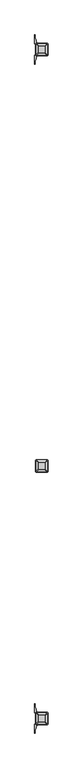
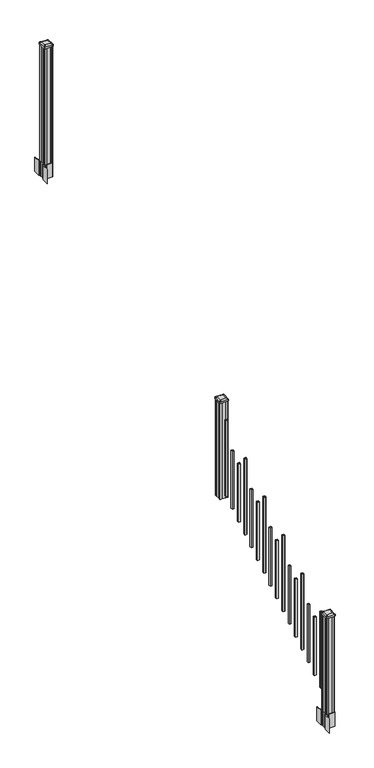
"""IFC4 building model written with IfcOpenShell, lengths in millimetres: railing geometry."""

from ifc_helpers import new_model, si_unit, point, frame, frame_2d, origin, place, context, project, spatial, polyline, circle_curve, trimmed, segment, composite_curve, outline, extrude, source, transform, mapped, element, save
from ifc_brep_helpers import plane_surface, extruded_surface, advanced_brep


def railing_87f6e294(model_context):
    return source(origin(), model_context, "Body", "SolidModel", [
        advanced_brep(
        [(6934.2407728, -114155.4027203, 2394.709263), (6985.8345228, -114155.4027203, 2394.709263), (6989.0095228, -114152.2277203, 2394.709263), (6989.0095228, -114100.6339703, 2394.709263), (6985.8345228, -114097.4589703, 2394.709263), (6934.2407728, -114097.4589703, 2394.709263), (6931.0657728, -114100.6339703, 2394.709263), (6931.0657728, -114152.2277203, 2394.709263), (6917.9688978, -114171.6745953, 2383.406263), (6914.7938978, -114168.4995953, 2383.406263), (6914.7938978, -114084.3620953, 2383.406263), (6917.9688978, -114081.1870953, 2383.406263), (7002.1063978, -114081.1870953, 2383.406263), (7005.2813978, -114084.3620953, 2383.406263), (7005.2813978, -114168.4995953, 2383.406263), (7002.1063978, -114171.6745953, 2383.406263)],
        [
            (0, 1),
            (1, 2, circle_curve(frame((6985.8345228, -114152.2277203, 2394.709263), z_axis=(0.0, 0.0, 1.0), x_axis=(0.0, 1.0, 0.0)), 3.175)),
            (2, 3),
            (3, 4, circle_curve(frame((6985.8345228, -114100.6339703, 2394.709263), z_axis=(0.0, 0.0, 1.0), x_axis=(0.0, 1.0, 0.0)), 3.175)),
            (4, 5),
            (5, 6, circle_curve(frame((6934.2407728, -114100.6339703, 2394.709263), z_axis=(0.0, 0.0, 1.0), x_axis=(0.0, 1.0, 0.0)), 3.175)),
            (6, 7),
            (7, 0, circle_curve(frame((6934.2407728, -114152.2277203, 2394.709263), z_axis=(0.0, 0.0, 1.0), x_axis=(0.0, 1.0, 0.0)), 3.175)),
            (8, 9, circle_curve(frame((6917.9688978, -114168.4995953, 2383.406263), z_axis=(0.0, 0.0, -1.0), x_axis=(0.0, 1.0, 0.0)), 3.175)),
            (9, 10),
            (10, 11, circle_curve(frame((6917.9688978, -114084.3620953, 2383.406263), z_axis=(0.0, 0.0, -1.0), x_axis=(0.0, 1.0, 0.0)), 3.175)),
            (11, 12),
            (12, 13, circle_curve(frame((7002.1063978, -114084.3620953, 2383.406263), z_axis=(0.0, 0.0, -1.0), x_axis=(0.0, 1.0, 0.0)), 3.175)),
            (13, 14),
            (14, 15, circle_curve(frame((7002.1063978, -114168.4995953, 2383.406263), z_axis=(0.0, 0.0, -1.0), x_axis=(0.0, 1.0, 0.0)), 3.175)),
            (15, 8),
            (8, 0),
            (7, 9),
            (6, 10),
            (5, 11),
            (4, 12),
            (3, 13),
            (2, 14),
            (1, 15),
        ],
        [
            plane_surface(frame((6960.0376478, -114126.4308453, 2394.709263), z_axis=(0.0, 0.0, 1.0), x_axis=(-1.0, 0.0, 0.0))),
            plane_surface(frame((6960.0376478, -114126.4308453, 2383.406263), z_axis=(0.0, 0.0, -1.0), x_axis=(-1.0, 0.0, 0.0))),
            extruded_surface(trimmed(circle_curve(frame((6934.2407728, -114152.2277203, 2394.709263), z_axis=(0.0, 0.0, -1.0), x_axis=(0.0, 1.0, 0.0)), 3.175), [point((6934.2407728, -114155.4027203, 2394.709263))], [point((6931.0657728, -114152.2277203, 2394.709263))], True, "CARTESIAN"), (-16.271874999999454, -16.27187500000582, -11.303000000000338), 25.63797263886966),
            plane_surface(frame((6914.7938978, -114126.4308453, 2383.406263), z_axis=(-0.5705009161540778, 0.0, 0.8212969649690408), x_axis=(0.0, 1.0, 0.0))),
            extruded_surface(trimmed(circle_curve(frame((6934.2407728, -114100.6339703, 2394.709263), z_axis=(0.0, 0.0, -1.0), x_axis=(0.0, 1.0, 0.0)), 3.175), [point((6931.0657728, -114100.6339703, 2394.709263))], [point((6934.2407728, -114097.4589703, 2394.709263))], True, "CARTESIAN"), (-16.271874999999454, 16.27187499999127, -11.303000000000338), 25.637972638860422),
            plane_surface(frame((6960.0376478, -114081.1870953, 2383.406263), z_axis=(0.0, 0.5705009161540291, 0.8212969649690747), x_axis=(1.0, 0.0, 0.0))),
            extruded_surface(trimmed(circle_curve(frame((6985.8345228, -114100.6339703, 2394.709263), z_axis=(0.0, 0.0, -1.0), x_axis=(0.0, 1.0, 0.0)), 3.175), [point((6985.8345228, -114097.4589703, 2394.709263))], [point((6989.0095228, -114100.6339703, 2394.709263))], True, "CARTESIAN"), (16.271875000000364, 16.27187499999127, -11.303000000000338), 25.637972638861),
            plane_surface(frame((7005.2813978, -114126.4308453, 2383.406263), z_axis=(0.5705009161540142, 0.0, 0.8212969649690851), x_axis=(0.0, -1.0, 0.0))),
            extruded_surface(trimmed(circle_curve(frame((6985.8345228, -114152.2277203, 2394.709263), z_axis=(0.0, 0.0, -1.0), x_axis=(0.0, 1.0, 0.0)), 3.175), [point((6989.0095228, -114152.2277203, 2394.709263))], [point((6985.8345228, -114155.4027203, 2394.709263))], True, "CARTESIAN"), (16.271875000000364, -16.27187500000582, -11.303000000000338), 25.637972638870238),
            plane_surface(frame((6960.0376478, -114171.6745953, 2383.406263), z_axis=(0.0, -0.570500916154034, 0.8212969649690713), x_axis=(-1.0, 0.0, 0.0))),
        ],
        [
            (0, [[1, 2, 3, 4, 5, 6, 7, 8]]),
            (1, [[9, 10, 11, 12, 13, 14, 15, 16]]),
            (2, [[17, -8, 18, -9]]),
            (3, [[-18, -7, 19, -10]]),
            (4, [[-19, -6, 20, -11]]),
            (5, [[-20, -5, 21, -12]]),
            (6, [[-21, -4, 22, -13]]),
            (7, [[-22, -3, 23, -14]]),
            (8, [[-23, -2, 24, -15]]),
            (9, [[-24, -1, -17, -16]]),
        ],
    ),
        extrude(outline(composite_curve([segment(trimmed(circle_curve(frame_2d((6917.9688978, -114168.4995953)), 3.175), [point((6917.9688978, -114171.6745953))], [point((6914.7938978, -114168.4995953))], False, "CARTESIAN"), True, "CONTINUOUS"), segment(polyline([(6914.7938978, -114168.4995953), (6914.7938978, -114084.3620953)]), True, "CONTINUOUS"), segment(trimmed(circle_curve(frame_2d((6917.9688978, -114084.3620953)), 3.175), [point((6914.7938978, -114084.3620953))], [point((6917.9688978, -114081.1870953))], False, "CARTESIAN"), True, "CONTINUOUS"), segment(polyline([(6917.9688978, -114081.1870953), (7002.1063978, -114081.1870953)]), True, "CONTINUOUS"), segment(trimmed(circle_curve(frame_2d((7002.1063978, -114084.3620953)), 3.175), [point((7002.1063978, -114081.1870953))], [point((7005.2813978, -114084.3620953))], False, "CARTESIAN"), True, "CONTINUOUS"), segment(polyline([(7005.2813978, -114084.3620953), (7005.2813978, -114168.4995953)]), True, "CONTINUOUS"), segment(trimmed(circle_curve(frame_2d((7002.1063978, -114168.4995953)), 3.175), [point((7005.2813978, -114168.4995953))], [point((7002.1063978, -114171.6745953))], False, "CARTESIAN"), True, "CONTINUOUS"), segment(polyline([(7002.1063978, -114171.6745953), (6917.9688978, -114171.6745953)]), True, "CONTINUOUS")], self_intersect=False)), frame((0.0, 0.0, 2366.134263), z_axis=(0.0, 0.0, 1.0), x_axis=(1.0, 0.0, 0.0)), (0.0, 0.0, 1.0), 17.272),
        extrude(outline(polyline([(6920.3501478, -114167.7058453), (6918.7626478, -114166.1183453), (6918.7626478, -114146.4968453), (6920.3501478, -114145.7348453), (6920.3501478, -114107.1268453), (6918.7626478, -114106.3648453), (6918.7626478, -114086.7433453), (6920.3501478, -114085.1558453), (6939.9716478, -114085.1558453), (6940.7336478, -114086.7433453), (6979.3416478, -114086.7433453), (6980.1036478, -114085.1558453), (6999.7251478, -114085.1558453), (7001.3126478, -114086.7433453), (7001.3126478, -114106.3648453), (6999.7251478, -114107.1268453), (6999.7251478, -114145.7348453), (7001.3126478, -114146.4968453), (7001.3126478, -114166.1183453), (6999.7251478, -114167.7058453), (6980.1036478, -114167.7058453), (6979.3416478, -114166.1183453), (6940.7336478, -114166.1183453), (6939.9716478, -114167.7058453), (6920.3501478, -114167.7058453)])), frame((0.0, 0.0, 1334.77), z_axis=(0.0, 0.0, 1.0), x_axis=(1.0, 0.0, 0.0)), (0.0, 0.0, 1.0), 1031.364263),
        extrude(outline(polyline([(6969.5626478, -114216.9818453), (6950.5126478, -114216.9818453), (6950.5126478, -114197.9318453), (6969.5626478, -114197.9318453), (6969.5626478, -114216.9818453)]), holes=[polyline([(6969.1657728, -114216.5849703), (6969.1657728, -114198.3287203), (6950.9095228, -114198.3287203), (6950.9095228, -114216.5849703), (6969.1657728, -114216.5849703)])]), frame((0.0, 0.0, 1385.7246281), z_axis=(0.0, 0.0, 1.0), x_axis=(1.0, 0.0, 0.0)), (0.0, 0.0, 1.0), 812.8041219),
        extrude(outline(polyline([(6969.5626478, -114328.2338453), (6950.5126478, -114328.2338453), (6950.5126478, -114309.1838453), (6969.5626478, -114309.1838453), (6969.5626478, -114328.2338453)]), holes=[polyline([(6969.1657728, -114327.8369703), (6969.1657728, -114309.5807203), (6950.9095228, -114309.5807203), (6950.9095228, -114327.8369703), (6969.1657728, -114327.8369703)])]), frame((0.0, 0.0, 1316.1921281), z_axis=(0.0, 0.0, 1.0), x_axis=(1.0, 0.0, 0.0)), (0.0, 0.0, 1.0), 622.3041219),
        extrude(outline(polyline([(6969.5626478, -114439.4858453), (6950.5126478, -114439.4858453), (6950.5126478, -114420.4358453), (6969.5626478, -114420.4358453), (6969.5626478, -114439.4858453)]), holes=[polyline([(6969.1657728, -114439.0889703), (6969.1657728, -114420.8327203), (6950.9095228, -114420.8327203), (6950.9095228, -114439.0889703), (6969.1657728, -114439.0889703)])]), frame((0.0, 0.0, 1246.6596281), z_axis=(0.0, 0.0, 1.0), x_axis=(1.0, 0.0, 0.0)), (0.0, 0.0, 1.0), 622.3041219),
        extrude(outline(polyline([(6969.5626478, -114550.7378453), (6950.5126478, -114550.7378453), (6950.5126478, -114531.6878453), (6969.5626478, -114531.6878453), (6969.5626478, -114550.7378453)]), holes=[polyline([(6969.1657728, -114550.3409703), (6969.1657728, -114532.0847203), (6950.9095228, -114532.0847203), (6950.9095228, -114550.3409703), (6969.1657728, -114550.3409703)])]), frame((0.0, 0.0, 1177.1271281), z_axis=(0.0, 0.0, 1.0), x_axis=(1.0, 0.0, 0.0)), (0.0, 0.0, 1.0), 812.8041219),
        extrude(outline(polyline([(6969.5626478, -114661.9898453), (6950.5126478, -114661.9898453), (6950.5126478, -114642.9398453), (6969.5626478, -114642.9398453), (6969.5626478, -114661.9898453)]), holes=[polyline([(6969.1657728, -114661.5929703), (6969.1657728, -114643.3367203), (6950.9095228, -114643.3367203), (6950.9095228, -114661.5929703), (6969.1657728, -114661.5929703)])]), frame((0.0, 0.0, 1107.5946281), z_axis=(0.0, 0.0, 1.0), x_axis=(1.0, 0.0, 0.0)), (0.0, 0.0, 1.0), 622.3041219),
        extrude(outline(polyline([(6969.5626478, -114773.2418453), (6950.5126478, -114773.2418453), (6950.5126478, -114754.1918453), (6969.5626478, -114754.1918453), (6969.5626478, -114773.2418453)]), holes=[polyline([(6969.1657728, -114772.8449703), (6969.1657728, -114754.5887203), (6950.9095228, -114754.5887203), (6950.9095228, -114772.8449703), (6969.1657728, -114772.8449703)])]), frame((0.0, 0.0, 1038.0621281), z_axis=(0.0, 0.0, 1.0), x_axis=(1.0, 0.0, 0.0)), (0.0, 0.0, 1.0), 622.3041219),
        extrude(outline(polyline([(6969.5626478, -114884.4938453), (6950.5126478, -114884.4938453), (6950.5126478, -114865.4438453), (6969.5626478, -114865.4438453), (6969.5626478, -114884.4938453)]), holes=[polyline([(6969.1657728, -114884.0969703), (6969.1657728, -114865.8407203), (6950.9095228, -114865.8407203), (6950.9095228, -114884.0969703), (6969.1657728, -114884.0969703)])]), frame((0.0, 0.0, 968.5296281), z_axis=(0.0, 0.0, 1.0), x_axis=(1.0, 0.0, 0.0)), (0.0, 0.0, 1.0), 812.8041219),
        extrude(outline(polyline([(6969.5626478, -114995.7458453), (6950.5126478, -114995.7458453), (6950.5126478, -114976.6958453), (6969.5626478, -114976.6958453), (6969.5626478, -114995.7458453)]), holes=[polyline([(6969.1657728, -114995.3489703), (6969.1657728, -114977.0927203), (6950.9095228, -114977.0927203), (6950.9095228, -114995.3489703), (6969.1657728, -114995.3489703)])]), frame((0.0, 0.0, 898.9971281), z_axis=(0.0, 0.0, 1.0), x_axis=(1.0, 0.0, 0.0)), (0.0, 0.0, 1.0), 622.3041219),
        extrude(outline(polyline([(6969.5626478, -115106.9978453), (6950.5126478, -115106.9978453), (6950.5126478, -115087.9478453), (6969.5626478, -115087.9478453), (6969.5626478, -115106.9978453)]), holes=[polyline([(6969.1657728, -115106.6009703), (6969.1657728, -115088.3447203), (6950.9095228, -115088.3447203), (6950.9095228, -115106.6009703), (6969.1657728, -115106.6009703)])]), frame((0.0, 0.0, 829.4646281), z_axis=(0.0, 0.0, 1.0), x_axis=(1.0, 0.0, 0.0)), (0.0, 0.0, 1.0), 622.3041219),
        extrude(outline(polyline([(6969.5626478, -115218.2498453), (6950.5126478, -115218.2498453), (6950.5126478, -115199.1998453), (6969.5626478, -115199.1998453), (6969.5626478, -115218.2498453)]), holes=[polyline([(6969.1657728, -115217.8529703), (6969.1657728, -115199.5967203), (6950.9095228, -115199.5967203), (6950.9095228, -115217.8529703), (6969.1657728, -115217.8529703)])]), frame((0.0, 0.0, 759.9321281), z_axis=(0.0, 0.0, 1.0), x_axis=(1.0, 0.0, 0.0)), (0.0, 0.0, 1.0), 812.8041219),
        extrude(outline(polyline([(6969.5626478, -115329.5018453), (6950.5126478, -115329.5018453), (6950.5126478, -115310.4518453), (6969.5626478, -115310.4518453), (6969.5626478, -115329.5018453)]), holes=[polyline([(6969.1657728, -115329.1049703), (6969.1657728, -115310.8487203), (6950.9095228, -115310.8487203), (6950.9095228, -115329.1049703), (6969.1657728, -115329.1049703)])]), frame((0.0, 0.0, 690.3996281), z_axis=(0.0, 0.0, 1.0), x_axis=(1.0, 0.0, 0.0)), (0.0, 0.0, 1.0), 622.3041219),
        extrude(outline(polyline([(6969.5626478, -115440.7538453), (6950.5126478, -115440.7538453), (6950.5126478, -115421.7038453), (6969.5626478, -115421.7038453), (6969.5626478, -115440.7538453)]), holes=[polyline([(6969.1657728, -115440.3569703), (6969.1657728, -115422.1007203), (6950.9095228, -115422.1007203), (6950.9095228, -115440.3569703), (6969.1657728, -115440.3569703)])]), frame((0.0, 0.0, 620.8671281), z_axis=(0.0, 0.0, 1.0), x_axis=(1.0, 0.0, 0.0)), (0.0, 0.0, 1.0), 622.3041219),
        extrude(outline(polyline([(6969.5626478, -115552.0058453), (6950.5126478, -115552.0058453), (6950.5126478, -115532.9558453), (6969.5626478, -115532.9558453), (6969.5626478, -115552.0058453)]), holes=[polyline([(6969.1657728, -115551.6089703), (6969.1657728, -115533.3527203), (6950.9095228, -115533.3527203), (6950.9095228, -115551.6089703), (6969.1657728, -115551.6089703)])]), frame((0.0, 0.0, 551.3346281), z_axis=(0.0, 0.0, 1.0), x_axis=(1.0, 0.0, 0.0)), (0.0, 0.0, 1.0), 812.8041219),
        extrude(outline(polyline([(6969.5626478, -115663.2578453), (6950.5126478, -115663.2578453), (6950.5126478, -115644.2078453), (6969.5626478, -115644.2078453), (6969.5626478, -115663.2578453)]), holes=[polyline([(6969.1657728, -115662.8609703), (6969.1657728, -115644.6047203), (6950.9095228, -115644.6047203), (6950.9095228, -115662.8609703), (6969.1657728, -115662.8609703)])]), frame((0.0, 0.0, 481.8021281), z_axis=(0.0, 0.0, 1.0), x_axis=(1.0, 0.0, 0.0)), (0.0, 0.0, 1.0), 622.3041219),
        extrude(outline(polyline([(6969.5626478, -115774.5098453), (6950.5126478, -115774.5098453), (6950.5126478, -115755.4598453), (6969.5626478, -115755.4598453), (6969.5626478, -115774.5098453)]), holes=[polyline([(6969.1657728, -115774.1129703), (6969.1657728, -115755.8567203), (6950.9095228, -115755.8567203), (6950.9095228, -115774.1129703), (6969.1657728, -115774.1129703)])]), frame((0.0, 0.0, 412.2696281), z_axis=(0.0, 0.0, 1.0), x_axis=(1.0, 0.0, 0.0)), (0.0, 0.0, 1.0), 622.3041219),
        extrude(outline(polyline([(6969.5626478, -115885.7618453), (6950.5126478, -115885.7618453), (6950.5126478, -115866.7118453), (6969.5626478, -115866.7118453), (6969.5626478, -115885.7618453)]), holes=[polyline([(6969.1657728, -115885.3649703), (6969.1657728, -115867.1087203), (6950.9095228, -115867.1087203), (6950.9095228, -115885.3649703), (6969.1657728, -115885.3649703)])]), frame((0.0, 0.0, 342.7371281), z_axis=(0.0, 0.0, 1.0), x_axis=(1.0, 0.0, 0.0)), (0.0, 0.0, 1.0), 812.8041219),
        extrude(outline(polyline([(6920.3501478, -111080.3358453), (6918.7626478, -111078.7483453), (6918.7626478, -111059.1268453), (6920.3501478, -111058.3648453), (6920.3501478, -111019.7568453), (6918.7626478, -111018.9948453), (6918.7626478, -110999.3733453), (6920.3501478, -110997.7858453), (6939.9716478, -110997.7858453), (6940.7336478, -110999.3733453), (6979.3416478, -110999.3733453), (6980.1036478, -110997.7858453), (6999.7251478, -110997.7858453), (7001.3126478, -110999.3733453), (7001.3126478, -111018.9948453), (6999.7251478, -111019.7568453), (6999.7251478, -111058.3648453), (7001.3126478, -111059.1268453), (7001.3126478, -111078.7483453), (6999.7251478, -111080.3358453), (6980.1036478, -111080.3358453), (6979.3416478, -111078.7483453), (6940.7336478, -111078.7483453), (6939.9716478, -111080.3358453), (6920.3501478, -111080.3358453)])), frame((0.0, 0.0, 3048.0), z_axis=(0.0, 0.0, 1.0), x_axis=(1.0, 0.0, 0.0)), (0.0, 0.0, 1.0), 1247.740513),
        extrude(outline(composite_curve([segment(polyline([(7002.7731478, -111056.4469401), (7004.3606478, -111057.2089401), (7004.3606478, -111080.0108682), (7000.9876707, -111083.3838453), (6939.5279999, -111083.3838453), (6939.5279999, -111084.3045953), (6934.2104561, -111084.3045953), (6934.2104561, -111085.75885), (6929.1259264, -111085.75885), (6929.1259264, -111087.0428738), (6927.4586541, -111087.0428738)]), True, "CONTINUOUS"), segment(trimmed(circle_curve(frame_2d((6927.4586541, -111094.1023337)), 7.0594599), [point((6927.4586541, -111087.0428738))], [point((6920.6913912, -111092.092327))], True, "CARTESIAN"), True, "CONTINUOUS"), segment(polyline([(6920.6913912, -111092.092327), (6912.8171969, -111118.6030561)]), True, "CONTINUOUS"), segment(trimmed(circle_curve(frame_2d((6967.6017103, -111134.8751057)), 57.15), [point((6912.8171969, -111118.6030561))], [point((6910.4517103, -111134.8751057))], True, "CARTESIAN"), True, "CONTINUOUS"), segment(polyline([(6910.4517103, -111134.8751057), (6910.4517103, -111146.8838453), (6907.4517103, -111146.8838453), (6907.4517103, -111081.7963453), (6915.7146478, -111070.458054), (6915.7146478, -111057.2089401), (6917.3021478, -111056.4469401), (6917.3021478, -111021.6747504), (6915.7146478, -111020.9127504), (6915.7146478, -111007.6636366), (6907.4517103, -110996.3253453), (6907.4517103, -110931.2378453), (6910.4517103, -110931.2378453), (6910.4517103, -110943.2465848)]), True, "CONTINUOUS"), segment(trimmed(circle_curve(frame_2d((6967.6017103, -110943.2465848)), 57.15), [point((6910.4517103, -110943.2465848))], [point((6912.8171969, -110959.5186345))], True, "CARTESIAN"), True, "CONTINUOUS"), segment(polyline([(6912.8171969, -110959.5186345), (6920.6913912, -110986.0293636)]), True, "CONTINUOUS"), segment(trimmed(circle_curve(frame_2d((6927.4586541, -110984.0193569)), 7.0594599), [point((6920.6913912, -110986.0293636))], [point((6927.4586541, -110991.0788168))], True, "CARTESIAN"), True, "CONTINUOUS"), segment(polyline([(6927.4586541, -110991.0788168), (6929.1259264, -110991.0788168), (6929.1259264, -110992.3628406), (6934.2104561, -110992.3628406), (6934.2104561, -110993.8170953), (6939.5279999, -110993.8170953), (6939.5279999, -110994.7378453), (7000.9876707, -110994.7378453), (7004.3606478, -110998.1108224), (7004.3606478, -111020.9127504), (7002.7731478, -111021.6747504), (7002.7731478, -111056.4469401)]), True, "CONTINUOUS")], self_intersect=False), holes=[polyline([(6918.7626478, -110999.3733453), (6918.7626478, -111078.7483453), (6920.3501478, -111080.3358453), (6957.2744304, -111080.3358453), (6999.7251478, -111080.3358453), (7001.3126478, -111078.7483453), (7001.3126478, -110999.3733453), (6999.7251478, -110997.7858453), (6957.2744304, -110997.7858453), (6920.3501478, -110997.7858453), (6918.7626478, -110999.3733453)])]), frame((0.0, 0.0, 2895.6), z_axis=(0.0, 0.0, 1.0), x_axis=(1.0, 0.0, 0.0)), (0.0, 0.0, 1.0), 152.4),
        advanced_brep(
        [(6934.2407728, -111068.0327203, 4324.315513), (6985.8345228, -111068.0327203, 4324.315513), (6989.0095228, -111064.8577203, 4324.315513), (6989.0095228, -111013.2639703, 4324.315513), (6985.8345228, -111010.0889703, 4324.315513), (6934.2407728, -111010.0889703, 4324.315513), (6931.0657728, -111013.2639703, 4324.315513), (6931.0657728, -111064.8577203, 4324.315513), (6917.9688978, -111084.3045953, 4313.012513), (6914.7938978, -111081.1295953, 4313.012513), (6914.7938978, -110996.9920953, 4313.012513), (6917.9688978, -110993.8170953, 4313.012513), (7002.1063978, -110993.8170953, 4313.012513), (7005.2813978, -110996.9920953, 4313.012513), (7005.2813978, -111081.1295953, 4313.012513), (7002.1063978, -111084.3045953, 4313.012513)],
        [
            (0, 1),
            (1, 2, circle_curve(frame((6985.8345228, -111064.8577203, 4324.315513), z_axis=(0.0, 0.0, 1.0), x_axis=(0.0, 1.0, 0.0)), 3.175)),
            (2, 3),
            (3, 4, circle_curve(frame((6985.8345228, -111013.2639703, 4324.315513), z_axis=(0.0, 0.0, 1.0), x_axis=(0.0, 1.0, 0.0)), 3.175)),
            (4, 5),
            (5, 6, circle_curve(frame((6934.2407728, -111013.2639703, 4324.315513), z_axis=(0.0, 0.0, 1.0), x_axis=(0.0, 1.0, 0.0)), 3.175)),
            (6, 7),
            (7, 0, circle_curve(frame((6934.2407728, -111064.8577203, 4324.315513), z_axis=(0.0, 0.0, 1.0), x_axis=(0.0, 1.0, 0.0)), 3.175)),
            (8, 9, circle_curve(frame((6917.9688978, -111081.1295953, 4313.012513), z_axis=(0.0, 0.0, -1.0), x_axis=(0.0, 1.0, 0.0)), 3.175)),
            (9, 10),
            (10, 11, circle_curve(frame((6917.9688978, -110996.9920953, 4313.012513), z_axis=(0.0, 0.0, -1.0), x_axis=(0.0, 1.0, 0.0)), 3.175)),
            (11, 12),
            (12, 13, circle_curve(frame((7002.1063978, -110996.9920953, 4313.012513), z_axis=(0.0, 0.0, -1.0), x_axis=(0.0, 1.0, 0.0)), 3.175)),
            (13, 14),
            (14, 15, circle_curve(frame((7002.1063978, -111081.1295953, 4313.012513), z_axis=(0.0, 0.0, -1.0), x_axis=(0.0, 1.0, 0.0)), 3.175)),
            (15, 8),
            (8, 0),
            (7, 9),
            (6, 10),
            (5, 11),
            (4, 12),
            (3, 13),
            (2, 14),
            (1, 15),
        ],
        [
            plane_surface(frame((6960.0376478, -111039.0608453, 4324.315513), z_axis=(0.0, 0.0, 1.0), x_axis=(-1.0, 0.0, 0.0))),
            plane_surface(frame((6960.0376478, -111039.0608453, 4313.012513), z_axis=(0.0, 0.0, -1.0), x_axis=(-1.0, 0.0, 0.0))),
            extruded_surface(trimmed(circle_curve(frame((6934.2407728, -111064.8577203, 4324.315513), z_axis=(0.0, 0.0, -1.0), x_axis=(0.0, 1.0, 0.0)), 3.175), [point((6934.2407728, -111068.0327203, 4324.315513))], [point((6931.0657728, -111064.8577203, 4324.315513))], True, "CARTESIAN"), (-16.271874999999454, -16.27187499999127, -11.302999999999884), 25.637972638860223),
            plane_surface(frame((6914.7938978, -111039.0608453, 4313.012513), z_axis=(-0.5705009161540687, 0.0, 0.8212969649690472), x_axis=(0.0, 1.0, 0.0))),
            extruded_surface(trimmed(circle_curve(frame((6934.2407728, -111013.2639703, 4324.315513), z_axis=(0.0, 0.0, -1.0), x_axis=(0.0, 1.0, 0.0)), 3.175), [point((6931.0657728, -111013.2639703, 4324.315513))], [point((6934.2407728, -111010.0889703, 4324.315513))], True, "CARTESIAN"), (-16.271874999999454, 16.27187500000582, -11.302999999999884), 25.63797263886946),
            plane_surface(frame((6960.0376478, -110993.8170953, 4313.012513), z_axis=(0.0, 0.5705009161540291, 0.8212969649690747), x_axis=(1.0, 0.0, 0.0))),
            extruded_surface(trimmed(circle_curve(frame((6985.8345228, -111013.2639703, 4324.315513), z_axis=(0.0, 0.0, -1.0), x_axis=(0.0, 1.0, 0.0)), 3.175), [point((6985.8345228, -111010.0889703, 4324.315513))], [point((6989.0095228, -111013.2639703, 4324.315513))], True, "CARTESIAN"), (16.271875000000364, 16.27187500000582, -11.302999999999884), 25.637972638870036),
            plane_surface(frame((7005.2813978, -111039.0608453, 4313.012513), z_axis=(0.5705009161540233, 0.0, 0.8212969649690787), x_axis=(0.0, -1.0, 0.0))),
            extruded_surface(trimmed(circle_curve(frame((6985.8345228, -111064.8577203, 4324.315513), z_axis=(0.0, 0.0, -1.0), x_axis=(0.0, 1.0, 0.0)), 3.175), [point((6989.0095228, -111064.8577203, 4324.315513))], [point((6985.8345228, -111068.0327203, 4324.315513))], True, "CARTESIAN"), (16.271875000000364, -16.27187499999127, -11.302999999999884), 25.637972638860802),
            plane_surface(frame((6960.0376478, -111084.3045953, 4313.012513), z_axis=(0.0, -0.570500916154034, 0.8212969649690713), x_axis=(-1.0, 0.0, 0.0))),
        ],
        [
            (0, [[1, 2, 3, 4, 5, 6, 7, 8]]),
            (1, [[9, 10, 11, 12, 13, 14, 15, 16]]),
            (2, [[17, -8, 18, -9]]),
            (3, [[-18, -7, 19, -10]]),
            (4, [[-19, -6, 20, -11]]),
            (5, [[-20, -5, 21, -12]]),
            (6, [[-21, -4, 22, -13]]),
            (7, [[-22, -3, 23, -14]]),
            (8, [[-23, -2, 24, -15]]),
            (9, [[-24, -1, -17, -16]]),
        ],
    ),
        extrude(outline(composite_curve([segment(trimmed(circle_curve(frame_2d((6917.9688978, -111081.1295953)), 3.175), [point((6917.9688978, -111084.3045953))], [point((6914.7938978, -111081.1295953))], False, "CARTESIAN"), True, "CONTINUOUS"), segment(polyline([(6914.7938978, -111081.1295953), (6914.7938978, -110996.9920953)]), True, "CONTINUOUS"), segment(trimmed(circle_curve(frame_2d((6917.9688978, -110996.9920953)), 3.175), [point((6914.7938978, -110996.9920953))], [point((6917.9688978, -110993.8170953))], False, "CARTESIAN"), True, "CONTINUOUS"), segment(polyline([(6917.9688978, -110993.8170953), (7002.1063978, -110993.8170953)]), True, "CONTINUOUS"), segment(trimmed(circle_curve(frame_2d((7002.1063978, -110996.9920953)), 3.175), [point((7002.1063978, -110993.8170953))], [point((7005.2813978, -110996.9920953))], False, "CARTESIAN"), True, "CONTINUOUS"), segment(polyline([(7005.2813978, -110996.9920953), (7005.2813978, -111081.1295953)]), True, "CONTINUOUS"), segment(trimmed(circle_curve(frame_2d((7002.1063978, -111081.1295953)), 3.175), [point((7005.2813978, -111081.1295953))], [point((7002.1063978, -111084.3045953))], False, "CARTESIAN"), True, "CONTINUOUS"), segment(polyline([(7002.1063978, -111084.3045953), (6917.9688978, -111084.3045953)]), True, "CONTINUOUS")], self_intersect=False)), frame((0.0, 0.0, 4295.740513), z_axis=(0.0, 0.0, 1.0), x_axis=(1.0, 0.0, 0.0)), (0.0, 0.0, 1.0), 17.272),
        extrude(outline(composite_curve([segment(polyline([(7002.7731478, -116016.0509401), (7004.3606478, -116016.8129401), (7004.3606478, -116039.6148682), (7000.9876707, -116042.9878453), (6939.5279999, -116042.9878453), (6939.5279999, -116043.9085953), (6934.2104561, -116043.9085953), (6934.2104561, -116045.36285), (6929.1259264, -116045.36285), (6929.1259264, -116046.6468738), (6927.4586541, -116046.6468738)]), True, "CONTINUOUS"), segment(trimmed(circle_curve(frame_2d((6927.4586541, -116053.7063337)), 7.0594599), [point((6927.4586541, -116046.6468738))], [point((6920.6913912, -116051.696327))], True, "CARTESIAN"), True, "CONTINUOUS"), segment(polyline([(6920.6913912, -116051.696327), (6912.8171969, -116078.2070561)]), True, "CONTINUOUS"), segment(trimmed(circle_curve(frame_2d((6967.6017103, -116094.4791057)), 57.15), [point((6912.8171969, -116078.2070561))], [point((6910.4517103, -116094.4791057))], True, "CARTESIAN"), True, "CONTINUOUS"), segment(polyline([(6910.4517103, -116094.4791057), (6910.4517103, -116106.4878453), (6907.4517103, -116106.4878453), (6907.4517103, -116041.4003453), (6915.7146478, -116030.062054), (6915.7146478, -116016.8129401), (6917.3021478, -116016.0509401), (6917.3021478, -115981.2787504), (6915.7146478, -115980.5167504), (6915.7146478, -115967.2676366), (6907.4517103, -115955.9293453), (6907.4517103, -115890.8418453), (6910.4517103, -115890.8418453), (6910.4517103, -115902.8505848)]), True, "CONTINUOUS"), segment(trimmed(circle_curve(frame_2d((6967.6017103, -115902.8505848)), 57.15), [point((6910.4517103, -115902.8505848))], [point((6912.8171969, -115919.1226345))], True, "CARTESIAN"), True, "CONTINUOUS"), segment(polyline([(6912.8171969, -115919.1226345), (6920.6913912, -115945.6333636)]), True, "CONTINUOUS"), segment(trimmed(circle_curve(frame_2d((6927.4586541, -115943.6233569)), 7.0594599), [point((6920.6913912, -115945.6333636))], [point((6927.4586541, -115950.6828168))], True, "CARTESIAN"), True, "CONTINUOUS"), segment(polyline([(6927.4586541, -115950.6828168), (6929.1259264, -115950.6828168), (6929.1259264, -115951.9668406), (6934.2104561, -115951.9668406), (6934.2104561, -115953.4210953), (6939.5279999, -115953.4210953), (6939.5279999, -115954.3418453), (7000.9876707, -115954.3418453), (7004.3606478, -115957.7148224), (7004.3606478, -115980.5167504), (7002.7731478, -115981.2787504), (7002.7731478, -116016.0509401)]), True, "CONTINUOUS")], self_intersect=False), holes=[polyline([(6918.7626478, -115958.9773453), (6918.7626478, -116038.3523453), (6920.3501478, -116039.9398453), (6957.2744304, -116039.9398453), (6999.7251478, -116039.9398453), (7001.3126478, -116038.3523453), (7001.3126478, -115958.9773453), (6999.7251478, -115957.3898453), (6957.2744304, -115957.3898453), (6920.3501478, -115957.3898453), (6918.7626478, -115958.9773453)])]), frame((0.0, 0.0, 12.22375), z_axis=(0.0, 0.0, 1.0), x_axis=(1.0, 0.0, 0.0)), (0.0, 0.0, 1.0), 152.4),
        advanced_brep(
        [(6934.2407728, -116027.6367203, 1224.563013), (6985.8345228, -116027.6367203, 1224.563013), (6989.0095228, -116024.4617203, 1224.563013), (6989.0095228, -115972.8679703, 1224.563013), (6985.8345228, -115969.6929703, 1224.563013), (6934.2407728, -115969.6929703, 1224.563013), (6931.0657728, -115972.8679703, 1224.563013), (6931.0657728, -116024.4617203, 1224.563013), (6917.9688978, -116043.9085953, 1213.260013), (6914.7938978, -116040.7335953, 1213.260013), (6914.7938978, -115956.5960953, 1213.260013), (6917.9688978, -115953.4210953, 1213.260013), (7002.1063978, -115953.4210953, 1213.260013), (7005.2813978, -115956.5960953, 1213.260013), (7005.2813978, -116040.7335953, 1213.260013), (7002.1063978, -116043.9085953, 1213.260013)],
        [
            (0, 1),
            (1, 2, circle_curve(frame((6985.8345228, -116024.4617203, 1224.563013), z_axis=(0.0, 0.0, 1.0), x_axis=(0.0, 1.0, 0.0)), 3.175)),
            (2, 3),
            (3, 4, circle_curve(frame((6985.8345228, -115972.8679703, 1224.563013), z_axis=(0.0, 0.0, 1.0), x_axis=(0.0, 1.0, 0.0)), 3.175)),
            (4, 5),
            (5, 6, circle_curve(frame((6934.2407728, -115972.8679703, 1224.563013), z_axis=(0.0, 0.0, 1.0), x_axis=(0.0, 1.0, 0.0)), 3.175)),
            (6, 7),
            (7, 0, circle_curve(frame((6934.2407728, -116024.4617203, 1224.563013), z_axis=(0.0, 0.0, 1.0), x_axis=(0.0, 1.0, 0.0)), 3.175)),
            (8, 9, circle_curve(frame((6917.9688978, -116040.7335953, 1213.260013), z_axis=(0.0, 0.0, -1.0), x_axis=(0.0, 1.0, 0.0)), 3.175)),
            (9, 10),
            (10, 11, circle_curve(frame((6917.9688978, -115956.5960953, 1213.260013), z_axis=(0.0, 0.0, -1.0), x_axis=(0.0, 1.0, 0.0)), 3.175)),
            (11, 12),
            (12, 13, circle_curve(frame((7002.1063978, -115956.5960953, 1213.260013), z_axis=(0.0, 0.0, -1.0), x_axis=(0.0, 1.0, 0.0)), 3.175)),
            (13, 14),
            (14, 15, circle_curve(frame((7002.1063978, -116040.7335953, 1213.260013), z_axis=(0.0, 0.0, -1.0), x_axis=(0.0, 1.0, 0.0)), 3.175)),
            (15, 8),
            (8, 0),
            (7, 9),
            (6, 10),
            (5, 11),
            (4, 12),
            (3, 13),
            (2, 14),
            (1, 15),
        ],
        [
            plane_surface(frame((6960.0376478, -115998.6648453, 1224.563013), z_axis=(0.0, 0.0, 1.0), x_axis=(-1.0, 0.0, 0.0))),
            plane_surface(frame((6960.0376478, -115998.6648453, 1213.260013), z_axis=(0.0, 0.0, -1.0), x_axis=(-1.0, 0.0, 0.0))),
            extruded_surface(trimmed(circle_curve(frame((6934.2407728, -116024.4617203, 1224.563013), z_axis=(0.0, 0.0, -1.0), x_axis=(0.0, 1.0, 0.0)), 3.175), [point((6934.2407728, -116027.6367203, 1224.563013))], [point((6931.0657728, -116024.4617203, 1224.563013))], True, "CARTESIAN"), (-16.271874999999454, -16.27187500000582, -11.302999999999884), 25.63797263886946),
            plane_surface(frame((6914.7938978, -115998.6648453, 1213.260013), z_axis=(-0.5705009161540778, 0.0, 0.8212969649690408), x_axis=(0.0, 1.0, 0.0))),
            extruded_surface(trimmed(circle_curve(frame((6934.2407728, -115972.8679703, 1224.563013), z_axis=(0.0, 0.0, -1.0), x_axis=(0.0, 1.0, 0.0)), 3.175), [point((6931.0657728, -115972.8679703, 1224.563013))], [point((6934.2407728, -115969.6929703, 1224.563013))], True, "CARTESIAN"), (-16.271874999999454, 16.27187499999127, -11.302999999999884), 25.637972638860223),
            plane_surface(frame((6960.0376478, -115953.4210953, 1213.260013), z_axis=(0.0, 0.5705009161540291, 0.8212969649690747), x_axis=(1.0, 0.0, 0.0))),
            extruded_surface(trimmed(circle_curve(frame((6985.8345228, -115972.8679703, 1224.563013), z_axis=(0.0, 0.0, -1.0), x_axis=(0.0, 1.0, 0.0)), 3.175), [point((6985.8345228, -115969.6929703, 1224.563013))], [point((6989.0095228, -115972.8679703, 1224.563013))], True, "CARTESIAN"), (16.271875000000364, 16.27187499999127, -11.302999999999884), 25.637972638860802),
            plane_surface(frame((7005.2813978, -115998.6648453, 1213.260013), z_axis=(0.5705009161540142, 0.0, 0.8212969649690851), x_axis=(0.0, -1.0, 0.0))),
            extruded_surface(trimmed(circle_curve(frame((6985.8345228, -116024.4617203, 1224.563013), z_axis=(0.0, 0.0, -1.0), x_axis=(0.0, 1.0, 0.0)), 3.175), [point((6989.0095228, -116024.4617203, 1224.563013))], [point((6985.8345228, -116027.6367203, 1224.563013))], True, "CARTESIAN"), (16.271875000000364, -16.27187500000582, -11.302999999999884), 25.637972638870036),
            plane_surface(frame((6960.0376478, -116043.9085953, 1213.260013), z_axis=(0.0, -0.570500916154034, 0.8212969649690713), x_axis=(-1.0, 0.0, 0.0))),
        ],
        [
            (0, [[1, 2, 3, 4, 5, 6, 7, 8]]),
            (1, [[9, 10, 11, 12, 13, 14, 15, 16]]),
            (2, [[17, -8, 18, -9]]),
            (3, [[-18, -7, 19, -10]]),
            (4, [[-19, -6, 20, -11]]),
            (5, [[-20, -5, 21, -12]]),
            (6, [[-21, -4, 22, -13]]),
            (7, [[-22, -3, 23, -14]]),
            (8, [[-23, -2, 24, -15]]),
            (9, [[-24, -1, -17, -16]]),
        ],
    ),
        extrude(outline(composite_curve([segment(trimmed(circle_curve(frame_2d((6917.9688978, -116040.7335953)), 3.175), [point((6917.9688978, -116043.9085953))], [point((6914.7938978, -116040.7335953))], False, "CARTESIAN"), True, "CONTINUOUS"), segment(polyline([(6914.7938978, -116040.7335953), (6914.7938978, -115956.5960953)]), True, "CONTINUOUS"), segment(trimmed(circle_curve(frame_2d((6917.9688978, -115956.5960953)), 3.175), [point((6914.7938978, -115956.5960953))], [point((6917.9688978, -115953.4210953))], False, "CARTESIAN"), True, "CONTINUOUS"), segment(polyline([(6917.9688978, -115953.4210953), (7002.1063978, -115953.4210953)]), True, "CONTINUOUS"), segment(trimmed(circle_curve(frame_2d((7002.1063978, -115956.5960953)), 3.175), [point((7002.1063978, -115953.4210953))], [point((7005.2813978, -115956.5960953))], False, "CARTESIAN"), True, "CONTINUOUS"), segment(polyline([(7005.2813978, -115956.5960953), (7005.2813978, -116040.7335953)]), True, "CONTINUOUS"), segment(trimmed(circle_curve(frame_2d((7002.1063978, -116040.7335953)), 3.175), [point((7005.2813978, -116040.7335953))], [point((7002.1063978, -116043.9085953))], False, "CARTESIAN"), True, "CONTINUOUS"), segment(polyline([(7002.1063978, -116043.9085953), (6917.9688978, -116043.9085953)]), True, "CONTINUOUS")], self_intersect=False)), frame((0.0, 0.0, 1195.988013), z_axis=(0.0, 0.0, 1.0), x_axis=(1.0, 0.0, 0.0)), (0.0, 0.0, 1.0), 17.272),
        extrude(outline(polyline([(6920.3501478, -116039.9398453), (6918.7626478, -116038.3523453), (6918.7626478, -116018.7308453), (6920.3501478, -116017.9688453), (6920.3501478, -115979.3608453), (6918.7626478, -115978.5988453), (6918.7626478, -115958.9773453), (6920.3501478, -115957.3898453), (6939.9716478, -115957.3898453), (6940.7336478, -115958.9773453), (6979.3416478, -115958.9773453), (6980.1036478, -115957.3898453), (6999.7251478, -115957.3898453), (7001.3126478, -115958.9773453), (7001.3126478, -115978.5988453), (6999.7251478, -115979.3608453), (6999.7251478, -116017.9688453), (7001.3126478, -116018.7308453), (7001.3126478, -116038.3523453), (6999.7251478, -116039.9398453), (6980.1036478, -116039.9398453), (6979.3416478, -116038.3523453), (6940.7336478, -116038.3523453), (6939.9716478, -116039.9398453), (6920.3501478, -116039.9398453)])), frame((0.0, 0.0, 164.62375), z_axis=(0.0, 0.0, 1.0), x_axis=(1.0, 0.0, 0.0)), (0.0, 0.0, 1.0), 1031.364263),
    ])


if __name__ == "__main__":
    model = new_model("IFC4")
    model_context = context("Model", 3, world=origin())
    ifc_project = project(units=[si_unit("LENGTHUNIT", "METRE", prefix="MILLI")], contexts=[model_context])
    site = spatial("IfcSite", under=ifc_project)
    building = spatial("IfcBuilding", under=site)
    placement = place(None, origin())
    railing_shape = railing_87f6e294(model_context)
    element("IfcRailing", 1, at=placement, inside=building, context=model_context, shape_type="MappedRepresentation", body=[
        mapped(railing_shape, transform((0.0, 0.0, 0.0), x_axis=(1.0, 0.0, 0.0), y_axis=(0.0, 1.0, 0.0), z_axis=(0.0, 0.0, 1.0))),
    ])
    save(model, "model.ifc")
